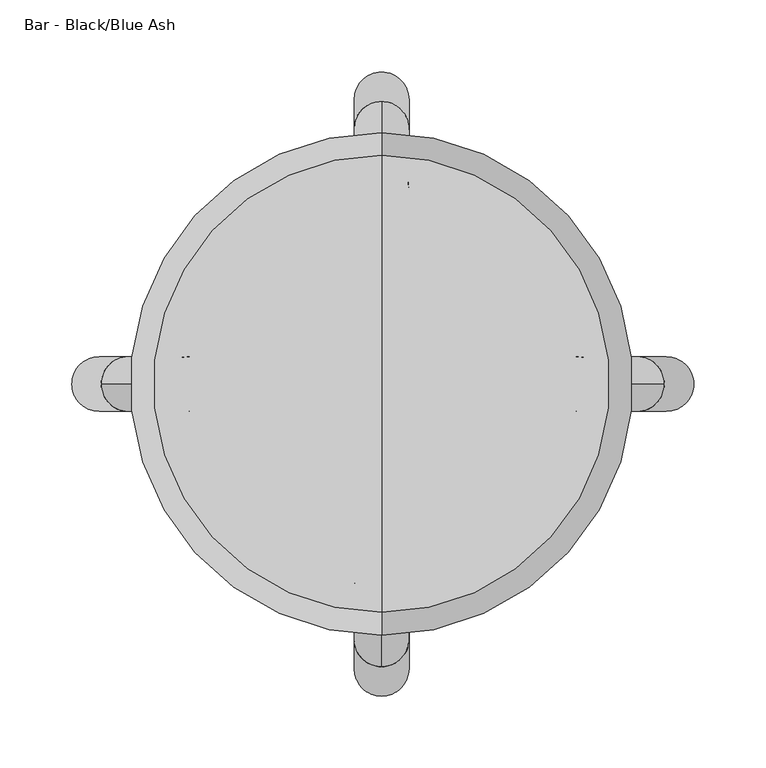
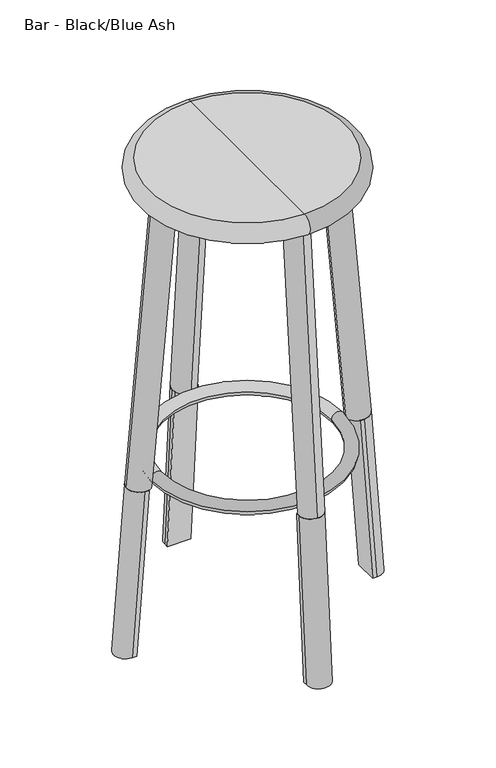
"""IFC4 building model written with IfcOpenShell, lengths in millimetres: furniture geometry, Bar - Black/Blue Ash."""

from ifc_helpers import new_model, si_unit, point, frame, origin, origin_2d, place, context, project, spatial, circle_curve, ellipse_curve, trimmed, segment, composite_curve, outline, extrude, source, transform, mapped, element, save
from ifc_brep_helpers import plane_surface, cylinder_surface, revolved_surface, advanced_brep


def bar_black_blue_ash_f2eb059c(model_context):
    return source(origin(), model_context, "Body", "SolidModel", [
        advanced_brep(
        [(190.6747507, -19.05, 0.0), (190.6747507, 19.05, 0.0), (197.9988372, 19.05, 0.0), (197.9988372, -19.05, 0.0), (170.3889364, -19.05, 274.9421441), (177.6733679, -19.05, 275.4796049), (177.6733679, 19.05, 275.4796049), (170.3889364, 19.05, 274.9421441)],
        [
            (0, 1),
            (1, 2),
            (2, 3, ellipse_curve(frame((197.9988372, 0.0, 0.0), z_axis=(0.0, 0.0, -1.0), x_axis=(-1.0, 0.0, 0.0)), 19.1017818, 19.05)),
            (3, 0),
            (4, 5),
            (5, 6, circle_curve(frame((177.6733679, 0.0, 275.4796049), z_axis=(-0.07358210886925173, 0.0, 0.9972891623066771), x_axis=(0.9972891623066771, 0.0, 0.07358210886925173)), 19.05)),
            (6, 7),
            (7, 4),
            (7, 1),
            (0, 4),
            (6, 2),
            (5, 3),
        ],
        [
            plane_surface(frame((-304.8, -264.8319713, 0.0), z_axis=(0.0, 0.0, -1.0), x_axis=(1.0, 0.0, 0.0))),
            plane_surface(frame((166.4309451, 0.0, 274.6501151), z_axis=(-0.07358210886925173, 0.0, 0.9972891623066771), x_axis=(0.0, -1.0, 0.0))),
            plane_surface(frame((170.3889364, 19.05, 274.9421441), z_axis=(-0.9972891623066771, 0.0, -0.0735821088692517), x_axis=(0.0735821088692517, 0.0, -0.9972891623066771))),
            plane_surface(frame((177.6733679, 19.05, 275.4796049), z_axis=(0.0, 1.0, 0.0), x_axis=(0.0735821088692517, 0.0, -0.9972891623066771))),
            cylinder_surface(frame((177.6733679, 0.0, 275.4796049), z_axis=(-0.07358210886925173, 0.0, 0.9972891623066771), x_axis=(0.9972891623066771, 0.0, 0.07358210886925173)), 19.05),
            plane_surface(frame((170.3889364, -19.05, 274.9421441), z_axis=(0.0, -1.0, 0.0), x_axis=(0.0735821088692517, 0.0, -0.9972891623066771))),
        ],
        [
            (0, [[1, 2, 3, 4]]),
            (1, [[5, 6, 7, 8]]),
            (2, [[-8, 9, -1, 10]]),
            (3, [[-7, 11, -2, -9]]),
            (4, [[-6, 12, -3, -11]]),
            (5, [[-5, -10, -4, -12]]),
        ],
    ),
        advanced_brep(
        [(19.05, 190.6747507, 0.0), (-19.05, 190.6747507, 0.0), (-19.05, 197.9988372, 0.0), (19.05, 197.9988372, 0.0), (-19.05, 170.3889364, 274.9421441), (19.05, 170.3889364, 274.9421441), (19.05, 177.6733679, 275.4796049), (-19.05, 177.6733679, 275.4796049)],
        [
            (0, 1),
            (1, 2),
            (2, 3, ellipse_curve(frame((0.0, 197.9988372, 0.0), z_axis=(0.0, 0.0, -1.0), x_axis=(0.0, -1.0, 0.0)), 19.1017818, 19.05)),
            (3, 0),
            (4, 5),
            (5, 6),
            (6, 7, circle_curve(frame((0.0, 177.6733679, 275.4796049), z_axis=(0.0, -0.07358210886925173, 0.9972891623066771), x_axis=(0.0, -0.9972891623066771, -0.07358210886925173)), 19.05)),
            (7, 4),
            (4, 1),
            (0, 5),
            (3, 6),
            (2, 7),
        ],
        [
            plane_surface(frame((-304.8, -264.8319713, 0.0), z_axis=(0.0, 0.0, -1.0), x_axis=(1.0, 0.0, 0.0))),
            plane_surface(frame((0.0, 166.4309451, 274.6501151), z_axis=(0.0, -0.07358210886925173, 0.9972891623066771), x_axis=(-1.0, 0.0, 0.0))),
            plane_surface(frame((-19.05, 170.3889364, 274.9421441), z_axis=(0.0, -0.9972891623066771, -0.0735821088692517), x_axis=(0.0, 0.0735821088692517, -0.9972891623066771))),
            plane_surface(frame((19.05, 170.3889364, 274.9421441), z_axis=(1.0, 0.0, 0.0), x_axis=(0.0, 0.0735821088692517, -0.9972891623066771))),
            cylinder_surface(frame((0.0, 177.6733679, 275.4796049), z_axis=(0.0, -0.07358210886925173, 0.9972891623066771), x_axis=(0.0, -0.9972891623066771, -0.07358210886925173)), 19.05),
            plane_surface(frame((-19.05, 177.6733679, 275.4796049), z_axis=(-1.0, 0.0, 0.0), x_axis=(0.0, 0.0735821088692517, -0.9972891623066771))),
        ],
        [
            (0, [[1, 2, 3, 4]]),
            (1, [[5, 6, 7, 8]]),
            (2, [[-5, 9, -1, 10]]),
            (3, [[-6, -10, -4, 11]]),
            (4, [[-7, -11, -3, 12]]),
            (5, [[-8, -12, -2, -9]]),
        ],
    ),
        advanced_brep(
        [(-19.05, -190.6747507, 0.0), (19.05, -190.6747507, 0.0), (19.05, -197.9988372, 0.0), (-19.05, -197.9988372, 0.0), (-19.05, -170.3889364, 274.9421441), (-19.05, -177.6733679, 275.4796049), (19.05, -177.6733679, 275.4796049), (19.05, -170.3889364, 274.9421441)],
        [
            (0, 1),
            (1, 2),
            (2, 3, ellipse_curve(frame((0.0, -197.9988372, 0.0), z_axis=(0.0, 0.0, -1.0), x_axis=(0.0, 1.0, 0.0)), 19.1017818, 19.05)),
            (3, 0),
            (4, 5),
            (5, 6, circle_curve(frame((0.0, -177.6733679, 275.4796049), z_axis=(0.0, 0.07358210886925173, 0.9972891623066771), x_axis=(0.0, -0.9972891623066771, 0.07358210886925173)), 19.05)),
            (6, 7),
            (7, 4),
            (7, 1),
            (0, 4),
            (6, 2),
            (5, 3),
        ],
        [
            plane_surface(frame((-304.8, -264.8319713, 0.0), z_axis=(0.0, 0.0, -1.0), x_axis=(1.0, 0.0, 0.0))),
            plane_surface(frame((0.0, -166.4309451, 274.6501151), z_axis=(0.0, 0.07358210886925173, 0.9972891623066771), x_axis=(-1.0, 0.0, 0.0))),
            plane_surface(frame((19.05, -170.3889364, 274.9421441), z_axis=(0.0, 0.9972891623066771, -0.0735821088692517), x_axis=(0.0, -0.0735821088692517, -0.9972891623066771))),
            plane_surface(frame((19.05, -177.6733679, 275.4796049), z_axis=(1.0, 0.0, 0.0), x_axis=(0.0, -0.07358210886925169, -0.9972891623066771))),
            cylinder_surface(frame((0.0, -177.6733679, 275.4796049), z_axis=(0.0, 0.07358210886925173, 0.9972891623066771), x_axis=(0.0, -0.9972891623066771, 0.07358210886925173)), 19.05),
            plane_surface(frame((-19.05, -170.3889364, 274.9421441), z_axis=(-1.0, 0.0, 0.0), x_axis=(0.0, -0.07358210886925169, -0.9972891623066771))),
        ],
        [
            (0, [[1, 2, 3, 4]]),
            (1, [[5, 6, 7, 8]]),
            (2, [[-8, 9, -1, 10]]),
            (3, [[-7, 11, -2, -9]]),
            (4, [[-6, 12, -3, -11]]),
            (5, [[-5, -10, -4, -12]]),
        ],
    ),
        advanced_brep(
        [(-189.0872507, 19.05, 0.0), (-189.0872507, -19.05, 0.0), (-196.4113372, -19.05, 0.0), (-196.4113372, 19.05, 0.0), (-168.8014364, -19.05, 274.9421441), (-168.8014364, 19.05, 274.9421441), (-176.0858679, 19.05, 275.4796049), (-176.0858679, -19.05, 275.4796049)],
        [
            (0, 1),
            (1, 2),
            (2, 3, ellipse_curve(frame((-196.4113372, 0.0, 0.0), z_axis=(0.0, 0.0, -1.0), x_axis=(1.0, 0.0, 0.0)), 19.1017818, 19.05)),
            (3, 0),
            (4, 5),
            (5, 6),
            (6, 7, circle_curve(frame((-176.0858679, 0.0, 275.4796049), z_axis=(0.07358210886927934, 0.0, 0.9972891623066751), x_axis=(0.9972891623066751, 0.0, -0.07358210886927934)), 19.05)),
            (7, 4),
            (4, 1),
            (0, 5),
            (3, 6),
            (2, 7),
        ],
        [
            plane_surface(frame((-304.8, -264.8319713, 0.0), z_axis=(0.0, 0.0, -1.0), x_axis=(1.0, 0.0, 0.0))),
            plane_surface(frame((-164.8434451, 0.0, 274.6501151), z_axis=(0.0735821088692793, 0.0, 0.997289162306675), x_axis=(0.0, -1.0, 0.0))),
            plane_surface(frame((-168.8014364, -19.05, 274.9421441), z_axis=(0.997289162306675, 0.0, -0.07358210886927924), x_axis=(-0.07358210886927924, 0.0, -0.997289162306675))),
            plane_surface(frame((-168.8014364, 19.05, 274.9421441), z_axis=(0.0, 1.0, 0.0), x_axis=(-0.07358210886927924, 0.0, -0.997289162306675))),
            cylinder_surface(frame((-176.0858679, 0.0, 275.4796049), z_axis=(0.07358210886927934, 0.0, 0.9972891623066751), x_axis=(0.9972891623066751, 0.0, -0.07358210886927934)), 19.05),
            plane_surface(frame((-176.0858679, -19.05, 275.4796049), z_axis=(0.0, -1.0, 0.0), x_axis=(-0.07358210886927924, 0.0, -0.997289162306675))),
        ],
        [
            (0, [[1, 2, 3, 4]]),
            (1, [[5, 6, 7, 8]]),
            (2, [[-5, 9, -1, 10]]),
            (3, [[-6, -10, -4, 11]]),
            (4, [[-7, -11, -3, 12]]),
            (5, [[-8, -12, -2, -9]]),
        ],
    ),
        extrude(outline(composite_curve([segment(trimmed(circle_curve(origin_2d(), 19.05), [point((0.0, -19.05))], [point((0.0, 19.05))], False, "CARTESIAN"), True, "CONTINUOUS"), segment(trimmed(circle_curve(origin_2d(), 19.05), [point((0.0, 19.05))], [point((0.0, -19.05))], False, "CARTESIAN"), True, "CONTINUOUS")], self_intersect=False)), frame((0.0, -177.6917755, 275.2551675), z_axis=(0.0, 0.08715574274753464, 0.9961946980917564), x_axis=(-1.0, 0.0, 0.0)), (0.0, 0.0, 1.0), 483.2535181),
        extrude(outline(composite_curve([segment(trimmed(circle_curve(origin_2d(), 19.05), [point((0.0, -19.05))], [point((0.0, 19.05))], False, "CARTESIAN"), True, "CONTINUOUS"), segment(trimmed(circle_curve(origin_2d(), 19.05), [point((0.0, 19.05))], [point((0.0, -19.05))], False, "CARTESIAN"), True, "CONTINUOUS")], self_intersect=False)), frame((0.0, 177.6917755, 275.2551675), z_axis=(0.0, -0.08715574274763863, 0.9961946980917472), x_axis=(-1.0, 0.0, 0.0)), (0.0, 0.0, 1.0), 483.2535181),
        extrude(outline(composite_curve([segment(trimmed(circle_curve(origin_2d(), 19.05), [point((0.0, -19.05))], [point((0.0, 19.05))], False, "CARTESIAN"), True, "CONTINUOUS"), segment(trimmed(circle_curve(origin_2d(), 19.05), [point((0.0, 19.05))], [point((0.0, -19.05))], False, "CARTESIAN"), True, "CONTINUOUS")], self_intersect=False)), frame((177.6917755, 0.0, 275.2551675), z_axis=(-0.08715574274761508, 0.0, 0.9961946980917494), x_axis=(0.0, -1.0, 0.0)), (0.0, 0.0, 1.0), 483.2535181),
        extrude(outline(composite_curve([segment(trimmed(circle_curve(origin_2d(), 19.05), [point((0.0, -19.05))], [point((0.0, 19.05))], False, "CARTESIAN"), True, "CONTINUOUS"), segment(trimmed(circle_curve(origin_2d(), 19.05), [point((0.0, 19.05))], [point((0.0, -19.05))], False, "CARTESIAN"), True, "CONTINUOUS")], self_intersect=False)), frame((-176.1042755, 0.0, 275.2551675), z_axis=(0.08715574274763135, 0.0, 0.996194698091748), x_axis=(0.0, -1.0, 0.0)), (0.0, 0.0, 1.0), 483.2535181),
        advanced_brep(
        [(135.7105193, 0.0, 277.5378196), (-135.7105193, 0.0, 277.5378196), (-155.8205717, 0.0, 277.5378196), (155.8205717, 0.0, 277.5378196)],
        [
            (0, 1, circle_curve(frame((0.0, 0.0, 277.5378196), z_axis=(0.0, 0.0, -1.0), x_axis=(-1.0, 0.0, 0.0)), 135.7105193)),
            (1, 2, circle_curve(frame((-145.7655455, 0.0, 277.5378196), z_axis=(0.0, -1.0, 0.0), x_axis=(1.0, 0.0, 0.0)), 10.0550262)),
            (2, 3, circle_curve(frame((0.0, 0.0, 277.5378196), z_axis=(0.0, 0.0, 1.0), x_axis=(-1.0, 0.0, 0.0)), 155.8205717)),
            (3, 0, circle_curve(frame((145.7655455, 0.0, 277.5378196), z_axis=(0.0, -1.0, 0.0), x_axis=(-1.0, 0.0, 0.0)), 10.0550262)),
            (2, 1, circle_curve(frame((-145.7655455, 0.0, 277.5378196), z_axis=(0.0, -1.0, 0.0), x_axis=(1.0, 0.0, 0.0)), 10.0550262)),
            (0, 3, circle_curve(frame((145.7655455, 0.0, 277.5378196), z_axis=(0.0, -1.0, 0.0), x_axis=(-1.0, 0.0, 0.0)), 10.0550262)),
            (1, 0, circle_curve(frame((0.0, 0.0, 277.5378196), z_axis=(0.0, 0.0, -1.0), x_axis=(1.0, 0.0, 0.0)), 135.7105193)),
            (3, 2, circle_curve(frame((0.0, 0.0, 277.5378196), z_axis=(0.0, 0.0, 1.0), x_axis=(1.0, 0.0, 0.0)), 155.8205717)),
        ],
        [
            revolved_surface(trimmed(ellipse_curve(frame((-145.7655455, 0.0, 277.5378196), z_axis=(0.0, 1.0, 0.0), x_axis=(1.0, 0.0, 0.0)), 10.0550262, 10.0550262), [point((-155.8205717, 0.0, 277.5378196))], [point((-135.7105193, 0.0, 277.5378196))], True, "CARTESIAN"), (0.0, 0.0, 0.0), (0.0, 0.0, 1.0)),
            revolved_surface(trimmed(ellipse_curve(frame((-145.7655455, 0.0, 277.5378196), z_axis=(0.0, 1.0, 0.0), x_axis=(1.0, 0.0, 0.0)), 10.0550262, 10.0550262), [point((-135.7105193, 0.0, 277.5378196))], [point((-155.8205717, 0.0, 277.5378196))], True, "CARTESIAN"), (0.0, 0.0, 0.0), (0.0, 0.0, 1.0)),
            revolved_surface(trimmed(ellipse_curve(frame((145.7655455, 0.0, 277.5378196), z_axis=(0.0, -1.0, 0.0), x_axis=(-1.0, 0.0, 0.0)), 10.0550262, 10.0550262), [point((155.8205717, 0.0, 277.5378196))], [point((135.7105193, 0.0, 277.5378196))], True, "CARTESIAN"), (0.0, 0.0, 0.0), (0.0, 0.0, 1.0)),
            revolved_surface(trimmed(ellipse_curve(frame((145.7655455, 0.0, 277.5378196), z_axis=(0.0, -1.0, 0.0), x_axis=(-1.0, 0.0, 0.0)), 10.0550262, 10.0550262), [point((135.7105193, 0.0, 277.5378196))], [point((155.8205717, 0.0, 277.5378196))], True, "CARTESIAN"), (0.0, 0.0, 0.0), (0.0, 0.0, 1.0)),
        ],
        [
            (0, [[1, 2, 3, 4]]),
            (1, [[-3, 5, -1, 6]]),
            (2, [[7, -4, 8, -2]]),
            (3, [[-8, -6, -7, -5]]),
        ],
    ),
        advanced_brep(
        [(0.0, -159.0207008, 739.394), (0.0, 159.0207008, 739.394), (0.0, 0.0, 739.394), (0.0, -159.0207008, 771.144), (0.0, 159.0207008, 771.144), (0.0, 0.0, 771.144)],
        [
            (0, 1, circle_curve(frame((0.0, 0.0, 739.394), z_axis=(0.0, 0.0, -1.0), x_axis=(0.0, 1.0, 0.0)), 159.0207008)),
            (1, 2),
            (2, 0),
            (1, 0, circle_curve(frame((0.0, 0.0, 739.394), z_axis=(0.0, 0.0, -1.0), x_axis=(0.0, 1.0, 0.0)), 159.0207008)),
            (3, 4, circle_curve(frame((0.0, 0.0, 771.144), z_axis=(0.0, 0.0, -1.0), x_axis=(0.0, 1.0, 0.0)), 159.0207008)),
            (4, 1, circle_curve(frame((0.0, 159.0207008, 755.269), z_axis=(-1.0, 0.0, 0.0), x_axis=(0.0, 1.0, 0.0)), 15.875)),
            (0, 3, circle_curve(frame((0.0, -159.0207008, 755.269), z_axis=(-1.0, 0.0, 0.0), x_axis=(0.0, -1.0, 0.0)), 15.875)),
            (4, 3, circle_curve(frame((0.0, 0.0, 771.144), z_axis=(0.0, 0.0, -1.0), x_axis=(0.0, 1.0, 0.0)), 159.0207008)),
            (5, 4),
            (3, 5),
        ],
        [
            plane_surface(frame((0.0, 0.0, 739.394), z_axis=(0.0, 0.0, -1.0), x_axis=(0.0, 1.0, 0.0))),
            revolved_surface(trimmed(ellipse_curve(frame((0.0, 159.0207008, 755.269), z_axis=(1.0, 0.0, 0.0), x_axis=(0.0, 1.0, 0.0)), 15.875, 15.875), [point((0.0, 159.0207008, 739.394))], [point((0.0, 159.0207008, 771.144))], True, "CARTESIAN"), (0.0, 0.0, 784.0864401), (0.0, 0.0, 1.0)),
            plane_surface(frame((0.0, 0.0, 771.144), z_axis=(0.0, 0.0, 1.0), x_axis=(0.0, 1.0, 0.0))),
        ],
        [
            (0, [[1, 2, 3]]),
            (0, [[4, -3, -2]]),
            (1, [[5, 6, -1, 7]]),
            (1, [[8, -7, -4, -6]]),
            (2, [[9, -5, 10]]),
            (2, [[-10, -8, -9]]),
        ],
    ),
    ])


if __name__ == "__main__":
    model = new_model("IFC4")
    model_context = context("Model", 3, world=origin())
    ifc_project = project(units=[si_unit("LENGTHUNIT", "METRE", prefix="MILLI")], contexts=[model_context])
    site = spatial("IfcSite", under=ifc_project)
    building = spatial("IfcBuilding", under=site)
    placement = place(None, origin())
    bar_black_blue_ash_shape = bar_black_blue_ash_f2eb059c(model_context)
    element("IfcFurniture", 1, ObjectType="Bar - Black/Blue Ash", at=placement, inside=building, context=model_context, shape_type="MappedRepresentation", body=[
        mapped(bar_black_blue_ash_shape, transform((0.0, 0.0, 0.0), x_axis=(1.0, 0.0, 0.0), y_axis=(0.0, 1.0, 0.0), z_axis=(0.0, 0.0, 1.0))),
    ])
    save(model, "model.ifc")
